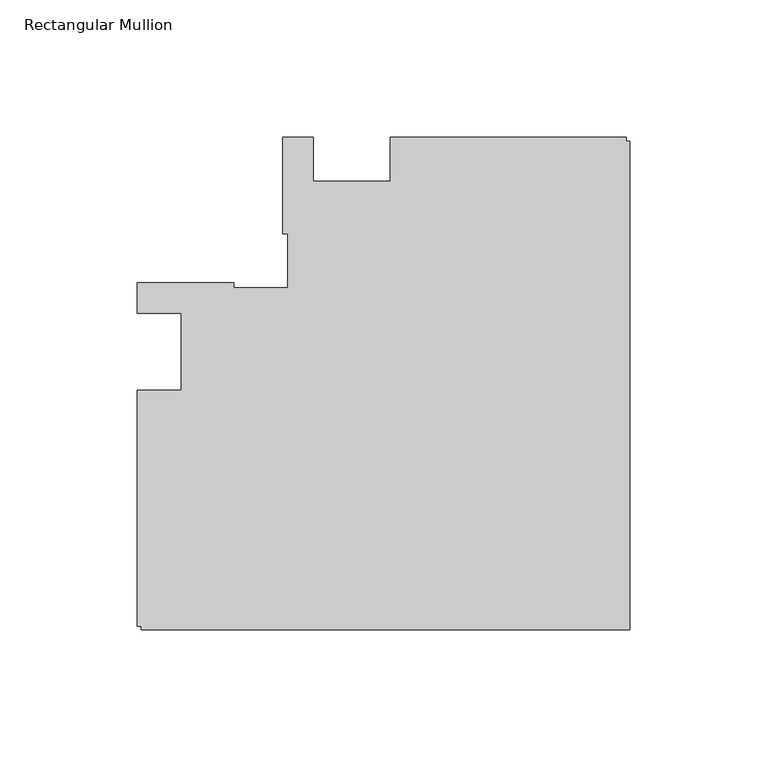
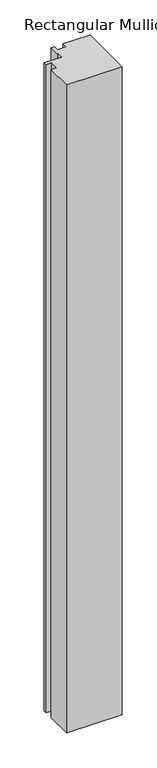
"""IFC4 building model written with IfcOpenShell, lengths in millimetres: member geometry, Rectangular Mullion."""

from ifc_helpers import new_model, si_unit, frame, origin, place, context, project, spatial, polyline, outline, extrude, source, transform, mapped, element, save


def rectangular_mullion_a148e611(model_context):
    return source(origin(), model_context, "Body", "SweptSolid", [
        extrude(outline(polyline([(-179.1817613, -13.9960563), (-163.1817351, -13.9960563), (-163.1817351, 14.0038344), (-179.1817351, 14.0038344), (-179.1817351, 25.0038344), (-144.1817351, 25.0038344), (-144.1817351, 23.3186203), (-124.518731, 23.3186203), (-124.518731, 42.9816243), (-126.2039451, 42.9816243), (-126.2039451, 77.9816506), (-115.2040012, 77.9816506), (-115.2040012, 61.9816243), (-87.2040012, 61.9816243), (-87.2040012, 77.9816506), (-1.2039451, 77.9816506), (-1.2039451, 76.4884533), (0.0, 76.4884533), (0.0, -101.2001107), (-177.7039408, -101.2001107), (-177.7039408, -100.0001107), (-179.1817613, -100.0001107), (-179.1817613, -13.9960563)])), frame((0.0, 0.0, -2216.0199255), z_axis=(0.0, 0.0, 1.0), x_axis=(1.0, 0.0, 0.0)), (0.0, 0.0, 1.0), 2216.0199255),
    ])


if __name__ == "__main__":
    model = new_model("IFC4")
    model_context = context("Model", 3, world=origin())
    ifc_project = project(units=[si_unit("LENGTHUNIT", "METRE", prefix="MILLI")], contexts=[model_context])
    site = spatial("IfcSite", under=ifc_project)
    building = spatial("IfcBuilding", under=site)
    placement = place(None, origin())
    rectangular_mullion_shape = rectangular_mullion_a148e611(model_context)
    element("IfcMember", 1, ObjectType="Rectangular Mullion", at=placement, inside=building, context=model_context, shape_type="MappedRepresentation", body=[
        mapped(rectangular_mullion_shape, transform((0.0, 0.0, 0.0), x_axis=(1.0, 0.0, 0.0), y_axis=(0.0, 1.0, 0.0), z_axis=(0.0, 0.0, 1.0))),
    ])
    save(model, "model.ifc")
